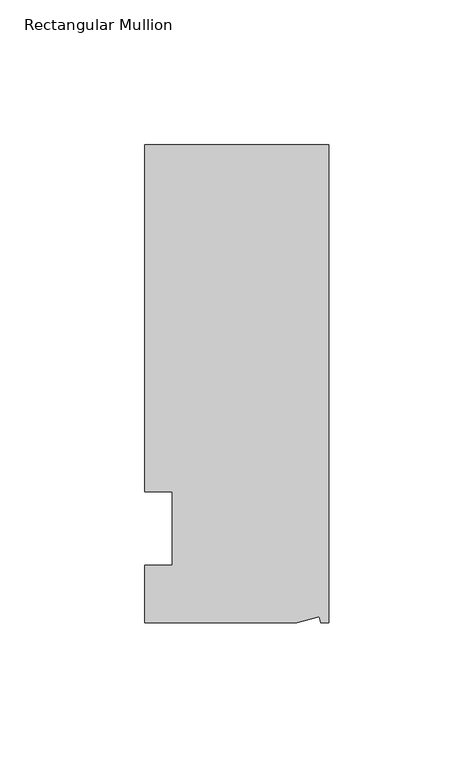
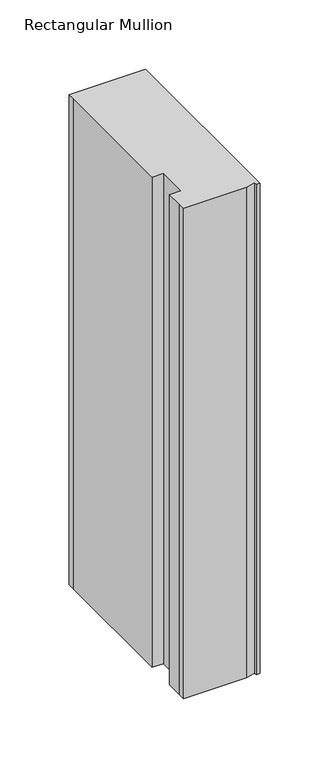
"""IFC4 building model written with IfcOpenShell, lengths in millimetres: member geometry, Rectangular Mullion."""

import ifcopenshell
import ifcopenshell.guid

model = None  # the IFC model being written
_history = None  # IfcOwnerHistory: only IFC2X3 demands one
_inside = {}  # id of a spatial element -> (the spatial element, [elements in it])
_under = {}  # id of a project, library or spatial element -> (it, [spatial elements below it])
_declared = {}  # id of a project -> (the project, [libraries it declares])
_typed = {}  # id of a type object -> (the type object, [elements of that type])
_made_of = {}  # id of a material, layer set ... -> (it, [elements and type objects made of it])


def new_model(schema):
    """Start an empty IFC model of exactly this schema.

    Asked for "IFC4X3", IfcOpenShell would pick the latest addendum, in which some entities
    have other attributes; the version numbers below select the first issue.
    IFC2X3 requires an IfcOwnerHistory on every rooted entity: one is made here for all.
    """
    global model, _history
    if schema == "IFC4X3":
        model = ifcopenshell.file(schema_version=(4, 3, 0, 0))
    else:
        model = ifcopenshell.file(schema=schema)
    _inside.clear()
    _under.clear()
    _declared.clear()
    _typed.clear()
    _made_of.clear()
    _history = None
    if model.schema == "IFC2X3":
        org = make("IfcOrganization", Name="unknown")
        user = make(
            "IfcPersonAndOrganization",
            ThePerson=make("IfcPerson", FamilyName="unknown"),
            TheOrganization=org,
        )
        app = make(
            "IfcApplication",
            ApplicationDeveloper=org,
            Version="unknown",
            ApplicationFullName="unknown",
            ApplicationIdentifier="unknown",
        )
        _history = make(
            "IfcOwnerHistory",
            OwningUser=user,
            OwningApplication=app,
            ChangeAction="ADDED",
            CreationDate=0,
        )
    return model


def make(cls, **values):
    """One entity of the class cls with the attributes given. An attribute that is None is left unset."""
    return model.create_entity(
        cls, **{name: value for name, value in values.items() if value is not None}
    )


def rooted(cls, **values):
    """An entity with a GlobalId (a new one), such as an element, a storey or a relation."""
    return make(cls, GlobalId=ifcopenshell.guid.new(), OwnerHistory=_history, **values)


def si_unit(unit_type, name, prefix=None):
    """IfcSIUnit, for example si_unit("LENGTHUNIT", "METRE", prefix="MILLI")."""
    return make("IfcSIUnit", UnitType=unit_type, Prefix=prefix, Name=name)


def assignment(units):
    """IfcUnitAssignment: the units of a project."""
    return None if units is None else make("IfcUnitAssignment", Units=units)


def point(xyz):
    """IfcCartesianPoint."""
    return None if xyz is None else make("IfcCartesianPoint", Coordinates=xyz)


def direction(xyz):
    """IfcDirection."""
    return None if xyz is None else make("IfcDirection", DirectionRatios=xyz)


def frame(location, z_axis=None, x_axis=None):
    """IfcAxis2Placement3D, a coordinate frame: its origin and axes. An axis left out is left unset."""
    return make(
        "IfcAxis2Placement3D",
        Location=point(location),
        Axis=direction(z_axis),
        RefDirection=direction(x_axis),
    )


def origin():
    """The frame at (0, 0, 0) with its axes left unset."""
    return frame((0.0, 0.0, 0.0))


def place(relative_to, where):
    """IfcLocalPlacement: puts the frame where relative to a parent placement (None: the world)."""
    return make(
        "IfcLocalPlacement", PlacementRelTo=relative_to, RelativePlacement=where
    )


def context(
    kind, dimensions, precision=None, world=None, true_north=None, identifier=None
):
    """IfcGeometricRepresentationContext, for example the 3D "Model" context."""
    return make(
        "IfcGeometricRepresentationContext",
        ContextIdentifier=identifier,
        ContextType=kind,
        CoordinateSpaceDimension=dimensions,
        Precision=precision,
        WorldCoordinateSystem=world,
        TrueNorth=true_north,
    )


def project(units=None, contexts=None):
    """IfcProject with its units and contexts."""
    return rooted(
        "IfcProject",
        Name="project",
        RepresentationContexts=contexts,
        UnitsInContext=assignment(units),
    )


def spatial(cls, under=None, at=None, **own):
    """A site, building, storey or space (cls), placed at a placement, below another one or the project."""
    s = rooted(cls, ObjectPlacement=at, **own)
    if under is not None:
        _under.setdefault(under.id(), (under, []))[1].append(s)
    return s


def polyline(points):
    """IfcPolyline through the points."""
    return make("IfcPolyline", Points=[point(p) for p in points])


def outline(outer, holes=None, kind="AREA"):
    """IfcArbitraryClosedProfileDef: a profile drawn as a closed curve; with holes, ...WithVoids."""
    if holes is None:
        return make("IfcArbitraryClosedProfileDef", ProfileType=kind, OuterCurve=outer)
    return make(
        "IfcArbitraryProfileDefWithVoids",
        ProfileType=kind,
        OuterCurve=outer,
        InnerCurves=holes,
    )


def extrude(swept, where, along, depth):
    """IfcExtrudedAreaSolid: the profile swept, set in the frame where, extruded along a direction by depth."""
    return make(
        "IfcExtrudedAreaSolid",
        SweptArea=swept,
        Position=where,
        ExtrudedDirection=direction(along),
        Depth=depth,
    )


def shape(context_of_items, identifier, shape_type, items):
    """IfcShapeRepresentation: the items that make up one representation, for example the "Body"."""
    return make(
        "IfcShapeRepresentation",
        ContextOfItems=context_of_items,
        RepresentationIdentifier=identifier,
        RepresentationType=shape_type,
        Items=items,
    )


def source(mapping_origin, context_of_items, identifier, shape_type, items):
    """IfcRepresentationMap: a shape defined once, which mapped items show again and again."""
    return make(
        "IfcRepresentationMap",
        MappingOrigin=mapping_origin,
        MappedRepresentation=shape(context_of_items, identifier, shape_type, items),
    )


def transform(
    local_origin,
    x_axis=None,
    y_axis=None,
    z_axis=None,
    scale=None,
    scale2=None,
    scale3=None,
    uniform=True,
):
    """IfcCartesianTransformationOperator3D, or its non-uniform kind. x_axis, y_axis, z_axis: its Axis1, 2, 3."""
    if uniform:
        return make(
            "IfcCartesianTransformationOperator3D",
            Axis1=direction(x_axis),
            Axis2=direction(y_axis),
            LocalOrigin=point(local_origin),
            Scale=scale,
            Axis3=direction(z_axis),
        )
    return make(
        "IfcCartesianTransformationOperator3DnonUniform",
        Axis1=direction(x_axis),
        Axis2=direction(y_axis),
        LocalOrigin=point(local_origin),
        Scale=scale,
        Axis3=direction(z_axis),
        Scale2=scale2,
        Scale3=scale3,
    )


def mapped(mapping_source, mapping_target):
    """IfcMappedItem: shows the shape of a source again, moved by a transform."""
    return make(
        "IfcMappedItem", MappingSource=mapping_source, MappingTarget=mapping_target
    )


def made_of(thing, what):
    """Note that an element or type object is made of a material, layer set ...; save() writes the relation."""
    if what is not None:
        _made_of.setdefault(what.id(), (what, []))[1].append(thing)
    return thing


def element(
    cls,
    number,
    at=None,
    inside=None,
    cuts=None,
    type_object=None,
    material=None,
    context=None,
    identifier="Body",
    shape_type=None,
    held_by="IfcProductDefinitionShape",
    body=None,
    shapes=None,
    **own,
):
    """One element of the class cls, such as IfcWall. Its Tag is "e" and its number.

    at: its placement. inside: the storey or other place that contains it. cuts: it is an
    opening in that element (IfcRelVoidsElement). A single representation is given by context,
    identifier, shape_type and body (its items); several are given by shapes. held_by: the class
    of the entity that holds the representations. save() writes the other relations.
    """
    e = rooted(cls, Tag="e%d" % number, ObjectPlacement=at, **own)
    if body is not None:
        shapes = [shape(context, identifier, shape_type, body)]
    if shapes is not None:
        e.Representation = make(held_by, Representations=shapes)
    if inside is not None:
        _inside.setdefault(inside.id(), (inside, []))[1].append(e)
    if cuts is not None:
        rooted(
            "IfcRelVoidsElement", RelatingBuildingElement=cuts, RelatedOpeningElement=e
        )
    if type_object is not None:
        _typed.setdefault(type_object.id(), (type_object, []))[1].append(e)
    return made_of(e, material)


def aggregate(whole, parts):
    """IfcRelAggregates: a whole, such as a stair, and the parts it consists of."""
    return rooted("IfcRelAggregates", RelatingObject=whole, RelatedObjects=parts)


def save(model, path):
    """Write the relations noted so far, then the file.

    IfcRelAggregates (storeys below a building ...), IfcRelContainedInSpatialStructure (elements
    in a storey), IfcRelDefinesByType, IfcRelAssociatesMaterial and IfcRelDeclares: one each for
    every whole, place, type object, material and project.
    """
    for whole, parts in _under.values():
        aggregate(whole, parts)
    for where, things in _inside.values():
        rooted(
            "IfcRelContainedInSpatialStructure",
            RelatedElements=things,
            RelatingStructure=where,
        )
    for kind, things in _typed.values():
        rooted("IfcRelDefinesByType", RelatedObjects=things, RelatingType=kind)
    for what, things in _made_of.values():
        rooted("IfcRelAssociatesMaterial", RelatedObjects=things, RelatingMaterial=what)
    for by, libraries in _declared.values():
        rooted("IfcRelDeclares", RelatingContext=by, RelatedDefinitions=libraries)
    model.write(path)


def rectangular_mullion_390d72ea(model_context):
    return source(origin(), model_context, "Body", "SweptSolid", [
        extrude(outline(polyline([(0.0, 132.5561012), (0.0, -32.5438988), (-2.7616541, -32.5438988), (-3.3341886, -30.4622958), (-11.121847, -32.5438988), (-63.5, -32.5438988), (-63.5, -26.1938988), (-63.5, -12.5945801), (-53.975, -12.5945801), (-53.975, 12.8054199), (-63.5, 12.8054199), (-63.5, 126.2061012), (-63.5, 132.5561012), (0.0, 132.5561012)])), frame((0.0, 0.0, -431.8), z_axis=(0.0, 0.0, 1.0), x_axis=(1.0, 0.0, 0.0)), (0.0, 0.0, 1.0), 431.8),
    ])


if __name__ == "__main__":
    model = new_model("IFC4")
    model_context = context("Model", 3, world=origin())
    ifc_project = project(units=[si_unit("LENGTHUNIT", "METRE", prefix="MILLI")], contexts=[model_context])
    site = spatial("IfcSite", under=ifc_project)
    building = spatial("IfcBuilding", under=site)
    placement = place(None, origin())
    rectangular_mullion_shape = rectangular_mullion_390d72ea(model_context)
    element("IfcMember", 1, ObjectType="Rectangular Mullion", at=placement, inside=building, context=model_context, shape_type="MappedRepresentation", body=[
        mapped(rectangular_mullion_shape, transform((0.0, 0.0, 0.0), x_axis=(1.0, 0.0, 0.0), y_axis=(0.0, 1.0, 0.0), z_axis=(0.0, 0.0, 1.0))),
    ])
    save(model, "model.ifc")
